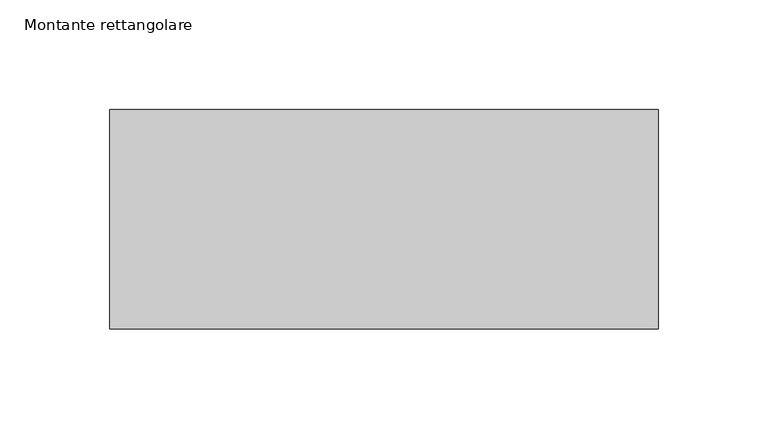
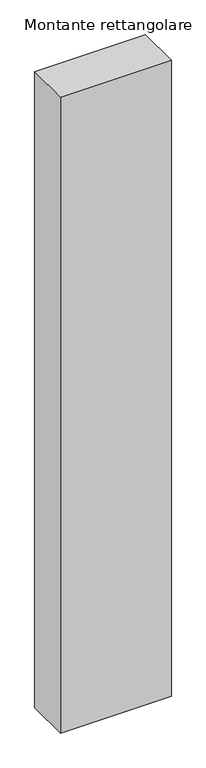
"""IFC4 building model written with IfcOpenShell, lengths in millimetres: member geometry, Montante rettangolare."""

from ifc_helpers import new_model, si_unit, frame, origin, place, context, project, spatial, polyline, outline, extrude, source, transform, mapped, element, save


def montante_rettangolare_829ac456(model_context):
    return source(origin(), model_context, "Body", "SweptSolid", [
        extrude(outline(polyline([(125.0, 50.0), (125.0, -50.0), (-125.0, -50.0), (-125.0, 50.0), (125.0, 50.0)])), frame((0.0, 0.0, -1514.1528073), z_axis=(0.0, 0.0, 1.0), x_axis=(1.0, 0.0, 0.0)), (0.0, 0.0, 1.0), 1514.1528073),
    ])


if __name__ == "__main__":
    model = new_model("IFC4")
    model_context = context("Model", 3, world=origin())
    ifc_project = project(units=[si_unit("LENGTHUNIT", "METRE", prefix="MILLI")], contexts=[model_context])
    site = spatial("IfcSite", under=ifc_project)
    building = spatial("IfcBuilding", under=site)
    placement = place(None, origin())
    montante_rettangolare_shape = montante_rettangolare_829ac456(model_context)
    element("IfcMember", 1, ObjectType="Montante rettangolare", at=placement, inside=building, context=model_context, shape_type="MappedRepresentation", body=[
        mapped(montante_rettangolare_shape, transform((0.0, 0.0, 0.0), x_axis=(1.0, 0.0, 0.0), y_axis=(0.0, 1.0, 0.0), z_axis=(0.0, 0.0, 1.0))),
    ])
    save(model, "model.ifc")
